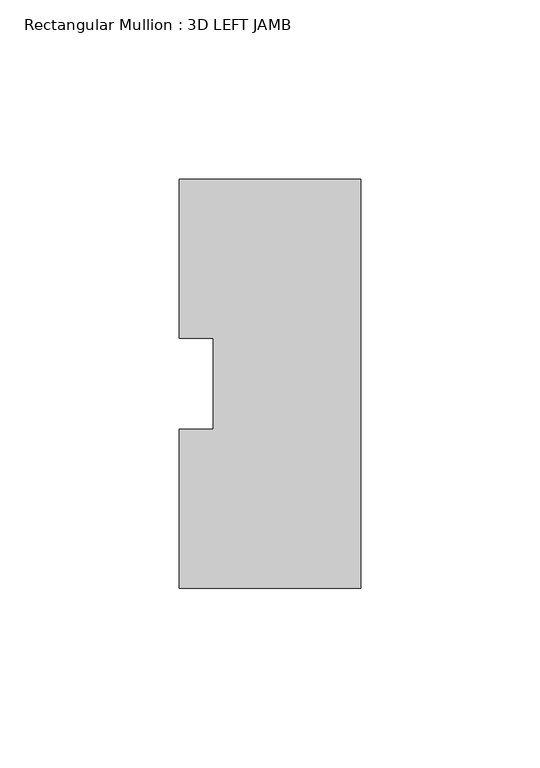
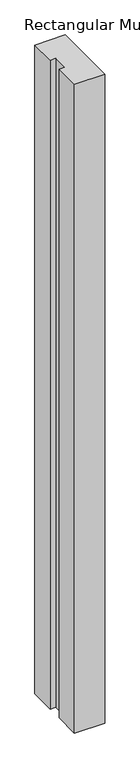
"""IFC4 building model written with IfcOpenShell, lengths in millimetres: member geometry, Rectangular Mullion : 3D LEFT JAMB."""

from ifc_helpers import new_model, si_unit, frame, origin, place, context, project, spatial, polyline, outline, extrude, source, transform, mapped, element, save


def rectangular_mullion_3d_left_jamb_e7c8a432(model_context):
    return source(origin(), model_context, "Body", "SweptSolid", [
        extrude(outline(polyline([(0.0, -57.1484125), (-50.8, -57.1484125), (-50.8, -12.7311082), (-41.275, -12.7311082), (-41.275, 12.7565901), (-50.8, 12.7565901), (-50.8, 57.1515875), (0.0, 57.1646685), (0.0, -57.1484125)])), frame((0.0, 0.0, -1143.9472853), z_axis=(0.0, 0.0, 1.0), x_axis=(1.0, 0.0, 0.0)), (0.0, 0.0, 1.0), 1143.9472853),
    ])


if __name__ == "__main__":
    model = new_model("IFC4")
    model_context = context("Model", 3, world=origin())
    ifc_project = project(units=[si_unit("LENGTHUNIT", "METRE", prefix="MILLI")], contexts=[model_context])
    site = spatial("IfcSite", under=ifc_project)
    building = spatial("IfcBuilding", under=site)
    placement = place(None, origin())
    rectangular_mullion_3d_left_jamb_shape = rectangular_mullion_3d_left_jamb_e7c8a432(model_context)
    element("IfcMember", 1, ObjectType="Rectangular Mullion : 3D LEFT JAMB", at=placement, inside=building, context=model_context, shape_type="MappedRepresentation", body=[
        mapped(rectangular_mullion_3d_left_jamb_shape, transform((0.0, 0.0, 0.0), x_axis=(1.0, 0.0, 0.0), y_axis=(0.0, 1.0, 0.0), z_axis=(0.0, 0.0, 1.0))),
    ])
    save(model, "model.ifc")
